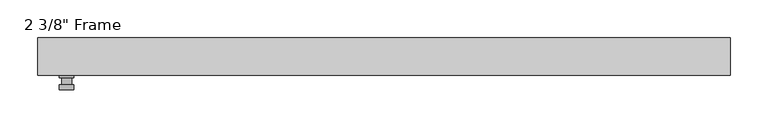
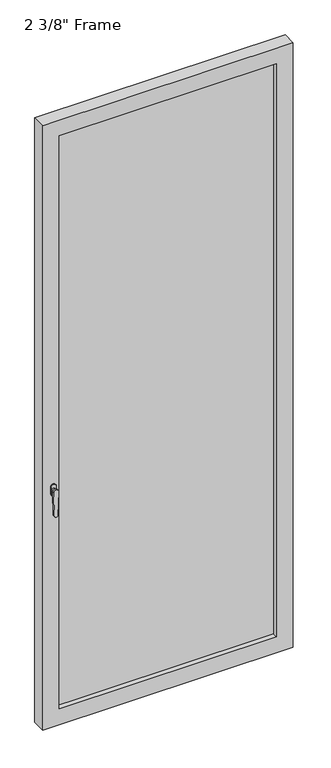
"""IFC4 building model written with IfcOpenShell, lengths in millimetres: plate geometry."""

from ifc_helpers import new_model, si_unit, frame, origin, place, context, project, spatial, polyline, circle_curve, outline, extrude, faceted_brep, source, transform, mapped, element, save
from ifc_brep_helpers import plane_surface, cylinder_surface, advanced_brep


def plate_9f383caf(model_context):
    return source(origin(), model_context, "Body", "SolidModel", [
        advanced_brep(
        [(-409.575, -24.60625, 927.1), (-409.575, -24.60625, 901.7), (-428.625, -24.60625, 901.7), (-428.625, -24.60625, 927.1), (-412.75, -37.30625, 914.4), (-425.45, -37.30625, 914.4), (-425.45, -27.78125, 914.4), (-412.75, -27.78125, 914.4), (-409.575, -37.30625, 914.4), (-412.7540356, -37.30625, 825.2736467), (-425.4459644, -37.30625, 825.2736467), (-428.625, -37.30625, 914.4), (-409.575, -43.65625, 914.4), (-428.625, -43.65625, 914.4), (-425.4459644, -43.65625, 825.2736467), (-412.7540356, -43.65625, 825.2736467), (-409.575, -27.78125, 927.1), (-428.625, -27.78125, 927.1), (-428.625, -27.78125, 901.7), (-409.575, -27.78125, 901.7)],
        [
            (0, 1),
            (1, 2, circle_curve(frame((-419.1, -24.60625, 901.7), z_axis=(0.0, 1.0, 0.0), x_axis=(-1.0, 0.0, 0.0)), 9.525)),
            (2, 3),
            (3, 0, circle_curve(frame((-419.1, -24.60625, 927.1), z_axis=(0.0, 1.0, 0.0), x_axis=(-1.0, 0.0, 0.0)), 9.525)),
            (4, 5, circle_curve(frame((-419.1, -37.30625, 914.4), z_axis=(0.0, 1.0, 0.0), x_axis=(-1.0, 0.0, 0.0)), 6.35)),
            (5, 6),
            (6, 7, circle_curve(frame((-419.1, -27.78125, 914.4), z_axis=(0.0, -1.0, 0.0), x_axis=(-1.0, 0.0, 0.0)), 6.35)),
            (7, 4),
            (5, 4, circle_curve(frame((-419.1, -37.30625, 914.4), z_axis=(0.0, 1.0, 0.0), x_axis=(-1.0, 0.0, 0.0)), 6.35)),
            (7, 6, circle_curve(frame((-419.1, -27.78125, 914.4), z_axis=(0.0, -1.0, 0.0), x_axis=(-1.0, 0.0, 0.0)), 6.35)),
            (8, 9),
            (9, 10, circle_curve(frame((-419.1, -37.30625, 825.5), z_axis=(0.0, 1.0, 0.0), x_axis=(-1.0, 0.0, 0.0)), 6.35)),
            (10, 11),
            (11, 8, circle_curve(frame((-419.1, -37.30625, 914.4), z_axis=(0.0, 1.0, 0.0), x_axis=(-1.0, 0.0, 0.0)), 9.525)),
            (12, 13, circle_curve(frame((-419.1, -43.65625, 914.4), z_axis=(0.0, -1.0, 0.0), x_axis=(-1.0, 0.0, 0.0)), 9.525)),
            (13, 14),
            (14, 15, circle_curve(frame((-419.1, -43.65625, 825.5), z_axis=(0.0, -1.0, 0.0), x_axis=(-1.0, 0.0, 0.0)), 6.35)),
            (15, 12),
            (8, 12),
            (15, 9),
            (14, 10),
            (13, 11),
            (16, 17, circle_curve(frame((-419.1, -27.78125, 927.1), z_axis=(0.0, -1.0, 0.0), x_axis=(-1.0, 0.0, 0.0)), 9.525)),
            (17, 18),
            (18, 19, circle_curve(frame((-419.1, -27.78125, 901.7), z_axis=(0.0, -1.0, 0.0), x_axis=(-1.0, 0.0, 0.0)), 9.525)),
            (19, 16),
            (0, 16),
            (19, 1),
            (18, 2),
            (17, 3),
        ],
        [
            plane_surface(frame((-425.45, -24.60625, 914.4), z_axis=(0.0, 1.0, 0.0), x_axis=(0.0, 0.0, 1.0))),
            cylinder_surface(frame((-419.1, -37.30625, 914.4), z_axis=(0.0, 1.0, 0.0), x_axis=(-1.0, 0.0, 0.0)), 6.35),
            plane_surface(frame((-409.575, -37.30625, 914.4), z_axis=(0.0, 1.0000000000000002, 0.0), x_axis=(-0.03564619348186888, 0.0, -0.9993644724975235))),
            plane_surface(frame((-409.575, -43.65625, 914.4), z_axis=(0.0, -1.0000000000000002, 0.0), x_axis=(0.03564619348186888, 0.0, 0.9993644724975235))),
            plane_surface(frame((-409.575, -37.30625, 914.4), z_axis=(0.9993644724975235, 0.0, -0.03564619348186888), x_axis=(0.0, -1.0, 0.0))),
            cylinder_surface(frame((-419.1, -43.65625, 825.5), z_axis=(0.0, 1.0, 0.0), x_axis=(-1.0, 0.0, 0.0)), 6.35),
            plane_surface(frame((-425.4459644, -37.30625, 825.2736467), z_axis=(-0.9993644724975228, 0.0, -0.03564619348188612), x_axis=(0.0, -1.0, 0.0))),
            cylinder_surface(frame((-419.1, -43.65625, 914.4), z_axis=(0.0, 1.0, 0.0), x_axis=(-1.0, 0.0, 0.0)), 9.525),
            plane_surface(frame((-409.575, -27.78125, 901.7), z_axis=(0.0, -1.0, 0.0), x_axis=(0.0, 0.0, 1.0))),
            plane_surface(frame((-409.575, -24.60625, 927.1), z_axis=(1.0, 0.0, 0.0), x_axis=(0.0, -1.0, 0.0))),
            cylinder_surface(frame((-419.1, -27.78125, 901.7), z_axis=(0.0, 1.0, 0.0), x_axis=(-1.0, 0.0, 0.0)), 9.525),
            plane_surface(frame((-428.625, -24.60625, 901.7), z_axis=(-1.0, 0.0, 0.0), x_axis=(0.0, -1.0, 0.0))),
            cylinder_surface(frame((-419.1, -27.78125, 927.1), z_axis=(0.0, 1.0, 0.0), x_axis=(-1.0, 0.0, 0.0)), 9.525),
        ],
        [
            (0, [[1, 2, 3, 4]]),
            (1, [[5, 6, 7, 8]]),
            (1, [[9, -8, 10, -6]]),
            (2, [[11, 12, 13, 14], [-5, -9]]),
            (3, [[15, 16, 17, 18]]),
            (4, [[-11, 19, -18, 20]]),
            (5, [[-12, -20, -17, 21]]),
            (6, [[-13, -21, -16, 22]]),
            (7, [[-14, -22, -15, -19]]),
            (8, [[23, 24, 25, 26], [-7, -10]]),
            (9, [[-1, 27, -26, 28]]),
            (10, [[-2, -28, -25, 29]]),
            (11, [[-3, -29, -24, 30]]),
            (12, [[-4, -30, -23, -27]]),
        ],
    ),
        faceted_brep([(-457.2, -24.60625, 0.0), (-457.2, 24.60625, 0.0), (457.2, 24.60625, 0.0), (457.2, -24.60625, 0.0), (-396.875, 24.60625, 2270.125), (-396.875, 18.25625, 2270.125), (-396.875, 18.25625, 60.325), (-396.875, 24.60625, 60.325), (409.575, 18.25625, 2282.825), (-409.575, 18.25625, 2282.825), (-409.575, 18.25625, 47.625), (409.575, 18.25625, 47.625), (396.875, 18.25625, 2270.125), (396.875, 18.25625, 60.325), (-409.575, -5.55625, 2282.825), (-409.575, -5.55625, 47.625), (409.575, -5.55625, 2282.825), (409.575, -5.55625, 47.625), (-396.875, -5.55625, 2270.125), (-396.875, -5.55625, 60.325), (396.875, -5.55625, 60.325), (396.875, -5.55625, 2270.125), (-396.875, -24.60625, 2270.125), (-396.875, -24.60625, 60.325), (457.2, -24.60625, 2330.45), (-457.2, -24.60625, 2330.45), (396.875, -24.60625, 2270.125), (396.875, -24.60625, 60.325), (-457.2, 24.60625, 2330.45), (457.2, 24.60625, 2330.45), (396.875, 24.60625, 60.325), (396.875, 24.60625, 2270.125)], [[[0, 1, 2, 3]], [[4, 5, 6, 7]], [[8, 9, 10, 11], [5, 12, 13, 6]], [[10, 9, 14, 15]], [[14, 16, 17, 15], [18, 19, 20, 21]], [[18, 22, 23, 19]], [[0, 3, 24, 25], [22, 26, 27, 23]], [[1, 0, 25, 28]], [[2, 1, 28, 29], [4, 7, 30, 31]], [[5, 4, 31, 12]], [[9, 8, 16, 14]], [[18, 21, 26, 22]], [[25, 24, 29, 28]], [[12, 31, 30, 13]], [[17, 16, 8, 11]], [[26, 21, 20, 27]], [[24, 3, 2, 29]], [[23, 27, 20, 19]], [[11, 10, 15, 17]], [[6, 13, 30, 7]]]),
        extrude(outline(polyline([(409.575, -5.55625), (-409.575, -5.55625), (-409.575, 18.25625), (409.575, 18.25625), (409.575, -5.55625)])), frame((0.0, 0.0, 47.625), z_axis=(0.0, 0.0, 1.0), x_axis=(1.0, 0.0, 0.0)), (0.0, 0.0, 1.0), 2235.2),
    ])


if __name__ == "__main__":
    model = new_model("IFC4")
    model_context = context("Model", 3, world=origin())
    ifc_project = project(units=[si_unit("LENGTHUNIT", "METRE", prefix="MILLI")], contexts=[model_context])
    site = spatial("IfcSite", under=ifc_project)
    building = spatial("IfcBuilding", under=site)
    placement = place(None, origin())
    plate_shape = plate_9f383caf(model_context)
    element("IfcPlate", 1, ObjectType="2 3/8\" Frame", at=placement, inside=building, context=model_context, shape_type="MappedRepresentation", body=[
        mapped(plate_shape, transform((0.0, 0.0, 0.0), x_axis=(1.0, 0.0, 0.0), y_axis=(0.0, 1.0, 0.0), z_axis=(0.0, 0.0, 1.0))),
    ])
    save(model, "model.ifc")
